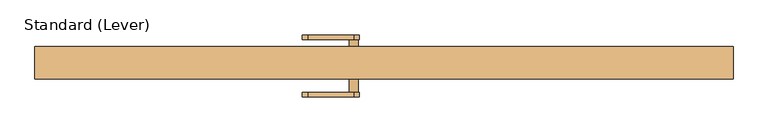
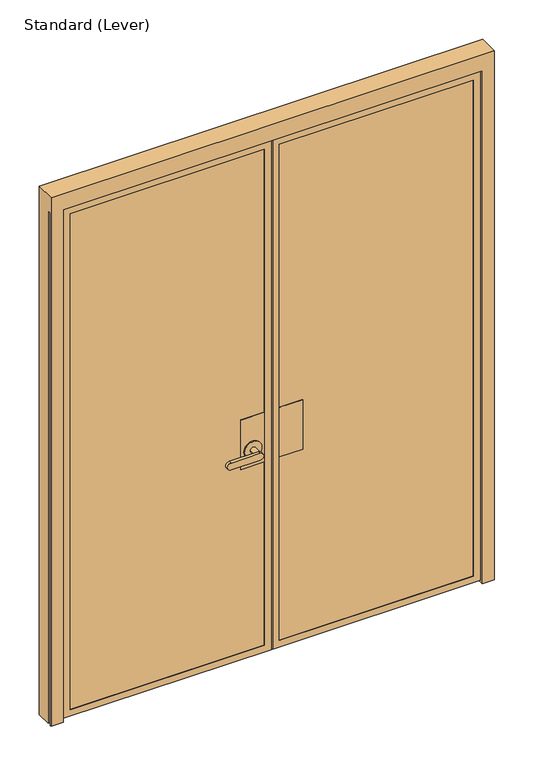
"""IFC4 building model written with IfcOpenShell, lengths in millimetres: door geometry, Standard (Lever)."""

from ifc_helpers import new_model, si_unit, frame, origin, place, context, project, spatial, polyline, circle_curve, outline, extrude, faceted_brep, source, transform, mapped, element, save
from ifc_brep_helpers import plane_surface, cylinder_surface, advanced_brep


def standard_lever_fe515a39(model_context):
    return source(origin(), model_context, "Body", "SolidModel", [
        extrude(outline(polyline([(33.3375, 20.6375), (134.9375, 20.6375), (134.9375, -26.9875), (33.3375, -26.9875), (33.3375, 20.6375)])), frame((0.0, 0.0, 889.0), z_axis=(0.0, 0.0, 1.0), x_axis=(1.0, 0.0, 0.0)), (0.0, 0.0, 1.0), 228.6),
        extrude(outline(polyline([(33.3375, -36.5125), (134.9375, -36.5125), (134.9375, -38.1), (33.3375, -38.1), (33.3375, -36.5125)])), frame((0.0, 0.0, 889.0), z_axis=(0.0, 0.0, 1.0), x_axis=(1.0, 0.0, 0.0)), (0.0, 0.0, 1.0), 228.6),
        advanced_brep(
        [(-33.3375, 20.6375, 1117.6), (-134.9375, 20.6375, 1117.6), (-134.9375, -26.9875, 1117.6), (-33.3375, -26.9875, 1117.6), (-33.3375, 20.6375, 889.0), (-33.3375, -26.9875, 889.0), (-134.9375, -26.9875, 889.0), (-134.9375, 20.6375, 889.0), (-46.0375, 20.6375, 965.2), (-122.2375, 20.6375, 965.2), (-71.4375, 25.4, 965.2), (-96.8375, 25.4, 965.2), (-96.8375, 65.0875, 965.2), (-71.4375, 65.0875, 965.2), (-46.0375, 25.4, 965.2), (-122.2375, 25.4, 965.2), (-84.1375, 65.0875, 949.325), (-84.1375, 65.0875, 981.075), (-211.1375, 65.0875, 981.075), (-211.1375, 65.0875, 949.325), (-84.1375, 77.7875, 949.325), (-211.1375, 77.7875, 949.325), (-211.1375, 77.7875, 981.075), (-84.1375, 77.7875, 981.075)],
        [
            (0, 1),
            (1, 2),
            (2, 3),
            (3, 0),
            (4, 5),
            (5, 6),
            (6, 7),
            (7, 4),
            (3, 5),
            (4, 0),
            (2, 6),
            (1, 7),
            (8, 9, circle_curve(frame((-84.1375, 20.6375, 965.2), z_axis=(0.0, -1.0, 0.0), x_axis=(-1.0, 0.0, 0.0)), 38.1)),
            (9, 8, circle_curve(frame((-84.1375, 20.6375, 965.2), z_axis=(0.0, -1.0, 0.0), x_axis=(-1.0, 0.0, 0.0)), 38.1)),
            (10, 11, circle_curve(frame((-84.1375, 25.4, 965.2), z_axis=(0.0, 1.0, 0.0), x_axis=(-1.0, 0.0, 0.0)), 12.7)),
            (11, 12),
            (12, 13, circle_curve(frame((-84.1375, 65.0875, 965.2), z_axis=(0.0, -1.0, 0.0), x_axis=(-1.0, 0.0, 0.0)), 12.7)),
            (13, 10),
            (13, 12, circle_curve(frame((-84.1375, 65.0875, 965.2), z_axis=(0.0, -1.0, 0.0), x_axis=(-1.0, 0.0, 0.0)), 12.7)),
            (11, 10, circle_curve(frame((-84.1375, 25.4, 965.2), z_axis=(0.0, 1.0, 0.0), x_axis=(-1.0, 0.0, 0.0)), 12.7)),
            (14, 15, circle_curve(frame((-84.1375, 25.4, 965.2), z_axis=(0.0, 1.0, 0.0), x_axis=(-1.0, 0.0, 0.0)), 38.1)),
            (15, 14, circle_curve(frame((-84.1375, 25.4, 965.2), z_axis=(0.0, 1.0, 0.0), x_axis=(-1.0, 0.0, 0.0)), 38.1)),
            (14, 8),
            (9, 15),
            (16, 17, circle_curve(frame((-84.1375, 65.0875, 965.2), z_axis=(0.0, -1.0, 0.0), x_axis=(-1.0, 0.0, 0.0)), 15.875)),
            (17, 18),
            (18, 19, circle_curve(frame((-211.1375, 65.0875, 965.2), z_axis=(0.0, -1.0, 0.0), x_axis=(-1.0, 0.0, 0.0)), 15.875)),
            (19, 16),
            (20, 21),
            (21, 22, circle_curve(frame((-211.1375, 77.7875, 965.2), z_axis=(0.0, 1.0, 0.0), x_axis=(-1.0, 0.0, 0.0)), 15.875)),
            (22, 23),
            (23, 20, circle_curve(frame((-84.1375, 77.7875, 965.2), z_axis=(0.0, 1.0, 0.0), x_axis=(-1.0, 0.0, 0.0)), 15.875)),
            (19, 21),
            (20, 16),
            (18, 22),
            (17, 23),
        ],
        [
            plane_surface(frame((-33.3375, 87.8442978, 1117.6), z_axis=(0.0, 0.0, 1.0), x_axis=(0.0, -1.0, 0.0))),
            plane_surface(frame((-33.3375, 87.8442978, 889.0), z_axis=(0.0, 0.0, -1.0), x_axis=(0.0, 1.0, 0.0))),
            plane_surface(frame((-33.3375, 20.6375, 1117.6), z_axis=(1.0, 0.0, 0.0), x_axis=(0.0, 0.0, -1.0))),
            plane_surface(frame((-33.3375, -26.9875, 1117.6), z_axis=(0.0, -1.0, 0.0), x_axis=(0.0, 0.0, -1.0))),
            plane_surface(frame((-134.9375, -26.9875, 1117.6), z_axis=(-1.0, 0.0, 0.0), x_axis=(0.0, 0.0, -1.0))),
            plane_surface(frame((-134.9375, 20.6375, 1117.6), z_axis=(0.0, 1.0, 0.0), x_axis=(0.0, 0.0, -1.0))),
            cylinder_surface(frame((-84.1375, 65.0875, 965.2), z_axis=(0.0, -1.0, 0.0), x_axis=(-1.0, 0.0, 0.0)), 12.7),
            plane_surface(frame((-122.2375, 25.4, 965.2), z_axis=(0.0, 1.0, 0.0), x_axis=(0.0, 0.0, -1.0))),
            cylinder_surface(frame((-84.1375, 25.4, 965.2), z_axis=(0.0, -1.0, 0.0), x_axis=(-1.0, 0.0, 0.0)), 38.1),
            plane_surface(frame((-84.1375, 65.0875, 949.325), z_axis=(0.0, -1.0, 0.0), x_axis=(-1.0, 0.0, 0.0))),
            plane_surface(frame((-84.1375, 77.7875, 949.325), z_axis=(0.0, 1.0, 0.0), x_axis=(1.0, 0.0, 0.0))),
            plane_surface(frame((-84.1375, 65.0875, 949.325), z_axis=(0.0, 0.0, -1.0), x_axis=(0.0, 1.0, 0.0))),
            cylinder_surface(frame((-211.1375, 77.7875, 965.2), z_axis=(0.0, -1.0, 0.0), x_axis=(-1.0, 0.0, 0.0)), 15.875),
            plane_surface(frame((-211.1375, 65.0875, 981.075), z_axis=(0.0, 0.0, 1.0), x_axis=(0.0, 1.0, 0.0))),
            cylinder_surface(frame((-84.1375, 77.7875, 965.2), z_axis=(0.0, -1.0, 0.0), x_axis=(-1.0, 0.0, 0.0)), 15.875),
        ],
        [
            (0, [[1, 2, 3, 4]]),
            (1, [[5, 6, 7, 8]]),
            (2, [[9, -5, 10, -4]]),
            (3, [[11, -6, -9, -3]]),
            (4, [[12, -7, -11, -2]]),
            (5, [[-10, -8, -12, -1], [13, 14]]),
            (6, [[15, 16, 17, 18]]),
            (6, [[19, -16, 20, -18]]),
            (7, [[21, 22], [-20, -15]]),
            (8, [[23, -14, 24, -21]]),
            (8, [[-24, -13, -23, -22]]),
            (9, [[25, 26, 27, 28], [-19, -17]]),
            (10, [[29, 30, 31, 32]]),
            (11, [[33, -29, 34, -28]]),
            (12, [[35, -30, -33, -27]]),
            (13, [[36, -31, -35, -26]]),
            (14, [[-34, -32, -36, -25]]),
        ],
    ),
        advanced_brep(
        [(-33.3375, -36.5125, 1117.6), (-134.9375, -36.5125, 1117.6), (-134.9375, -38.1, 1117.6), (-33.3375, -38.1, 1117.6), (-33.3375, -36.5125, 889.0), (-33.3375, -38.1, 889.0), (-134.9375, -38.1, 889.0), (-134.9375, -36.5125, 889.0), (-46.0375, -42.8625, 965.2), (-122.2375, -42.8625, 965.2), (-96.8375, -42.8625, 965.2), (-71.4375, -42.8625, 965.2), (-122.2375, -38.1, 965.2), (-46.0375, -38.1, 965.2), (-71.4375, -82.55, 965.2), (-96.8375, -82.55, 965.2), (-211.1375, -95.25, 949.325), (-84.1375, -95.25, 949.325), (-84.1375, -95.25, 981.075), (-211.1375, -95.25, 981.075), (-211.1375, -82.55, 949.325), (-211.1375, -82.55, 981.075), (-84.1375, -82.55, 981.075), (-84.1375, -82.55, 949.325)],
        [
            (0, 1),
            (1, 2),
            (2, 3),
            (3, 0),
            (4, 5),
            (5, 6),
            (6, 7),
            (7, 4),
            (3, 5),
            (4, 0),
            (1, 7),
            (6, 2),
            (8, 9, circle_curve(frame((-84.1375, -42.8625, 965.2), z_axis=(0.0, -1.0, 0.0), x_axis=(-1.0, 0.0, 0.0)), 38.1)),
            (9, 8, circle_curve(frame((-84.1375, -42.8625, 965.2), z_axis=(0.0, -1.0, 0.0), x_axis=(-1.0, 0.0, 0.0)), 38.1)),
            (10, 11, circle_curve(frame((-84.1375, -42.8625, 965.2), z_axis=(0.0, 1.0, 0.0), x_axis=(-1.0, 0.0, 0.0)), 12.7)),
            (11, 10, circle_curve(frame((-84.1375, -42.8625, 965.2), z_axis=(0.0, 1.0, 0.0), x_axis=(-1.0, 0.0, 0.0)), 12.7)),
            (9, 12),
            (12, 13, circle_curve(frame((-84.1375, -38.1, 965.2), z_axis=(0.0, -1.0, 0.0), x_axis=(-1.0, 0.0, 0.0)), 38.1)),
            (13, 8),
            (13, 12, circle_curve(frame((-84.1375, -38.1, 965.2), z_axis=(0.0, -1.0, 0.0), x_axis=(-1.0, 0.0, 0.0)), 38.1)),
            (14, 15, circle_curve(frame((-84.1375, -82.55, 965.2), z_axis=(0.0, 1.0, 0.0), x_axis=(-1.0, 0.0, 0.0)), 12.7)),
            (15, 10),
            (11, 14),
            (15, 14, circle_curve(frame((-84.1375, -82.55, 965.2), z_axis=(0.0, 1.0, 0.0), x_axis=(-1.0, 0.0, 0.0)), 12.7)),
            (16, 17),
            (17, 18, circle_curve(frame((-84.1375, -95.25, 965.2), z_axis=(0.0, -1.0, 0.0), x_axis=(-1.0, 0.0, 0.0)), 15.875)),
            (18, 19),
            (19, 16, circle_curve(frame((-211.1375, -95.25, 965.2), z_axis=(0.0, -1.0, 0.0), x_axis=(-1.0, 0.0, 0.0)), 15.875)),
            (20, 21, circle_curve(frame((-211.1375, -82.55, 965.2), z_axis=(0.0, 1.0, 0.0), x_axis=(-1.0, 0.0, 0.0)), 15.875)),
            (21, 22),
            (22, 23, circle_curve(frame((-84.1375, -82.55, 965.2), z_axis=(0.0, 1.0, 0.0), x_axis=(-1.0, 0.0, 0.0)), 15.875)),
            (23, 20),
            (19, 21),
            (20, 16),
            (18, 22),
            (17, 23),
        ],
        [
            plane_surface(frame((-33.3375, 87.8442978, 1117.6), z_axis=(0.0, 0.0, 1.0), x_axis=(0.0, -1.0, 0.0))),
            plane_surface(frame((-33.3375, 87.8442978, 889.0), z_axis=(0.0, 0.0, -1.0), x_axis=(0.0, 1.0, 0.0))),
            plane_surface(frame((-33.3375, -36.5125, 1117.6), z_axis=(1.0, 0.0, 0.0), x_axis=(0.0, 0.0, -1.0))),
            plane_surface(frame((-134.9375, -38.1, 1117.6), z_axis=(-1.0, 0.0, 0.0), x_axis=(0.0, 0.0, -1.0))),
            plane_surface(frame((-134.9375, -36.5125, 1117.6), z_axis=(0.0, 1.0, 0.0), x_axis=(0.0, 0.0, -1.0))),
            plane_surface(frame((-122.2375, -42.8625, 965.2), z_axis=(0.0, -1.0, 0.0), x_axis=(0.0, 0.0, 1.0))),
            cylinder_surface(frame((-84.1375, -38.1, 965.2), z_axis=(0.0, -1.0, 0.0), x_axis=(-1.0, 0.0, 0.0)), 38.1),
            cylinder_surface(frame((-84.1375, -39.6875, 965.2), z_axis=(0.0, -1.0, 0.0), x_axis=(-1.0, 0.0, 0.0)), 12.7),
            plane_surface(frame((-227.0125, -95.25, 965.2), z_axis=(0.0, -1.0, 0.0), x_axis=(0.0, 0.0, 1.0))),
            plane_surface(frame((-227.0125, -82.55, 965.2), z_axis=(0.0, 1.0, 0.0), x_axis=(0.0, 0.0, -1.0))),
            cylinder_surface(frame((-211.1375, -82.55, 965.2), z_axis=(0.0, -1.0, 0.0), x_axis=(-1.0, 0.0, 0.0)), 15.875),
            plane_surface(frame((-211.1375, -95.25, 981.075), z_axis=(0.0, 0.0, 1.0), x_axis=(0.0, 1.0, 0.0))),
            cylinder_surface(frame((-84.1375, -82.55, 965.2), z_axis=(0.0, -1.0, 0.0), x_axis=(-1.0, 0.0, 0.0)), 15.875),
            plane_surface(frame((-84.1375, -95.25, 949.325), z_axis=(0.0, 0.0, -1.0), x_axis=(0.0, 1.0, 0.0))),
            plane_surface(frame((-33.3375, -38.1, 1117.6), z_axis=(0.0, -1.0, 0.0), x_axis=(0.0, 0.0, -1.0))),
        ],
        [
            (0, [[1, 2, 3, 4]]),
            (1, [[5, 6, 7, 8]]),
            (2, [[9, -5, 10, -4]]),
            (3, [[11, -7, 12, -2]]),
            (4, [[-10, -8, -11, -1]]),
            (5, [[13, 14], [15, 16]]),
            (6, [[17, 18, 19, -14]]),
            (6, [[-19, 20, -17, -13]]),
            (7, [[21, 22, -16, 23]]),
            (7, [[-15, -22, 24, -23]]),
            (8, [[25, 26, 27, 28]]),
            (9, [[29, 30, 31, 32], [-24, -21]]),
            (10, [[33, -29, 34, -28]]),
            (11, [[35, -30, -33, -27]]),
            (12, [[36, -31, -35, -26]]),
            (13, [[-34, -32, -36, -25]]),
            (14, [[-12, -6, -9, -3], [-20, -18]]),
        ],
    ),
        faceted_brep([(909.6374977, 6.35, 12.7), (909.6374977, 6.35, 2360.6125), (909.6374977, -38.1, 2360.6125), (909.6374977, -38.1, 12.7), (3.175, -38.1, 12.7), (3.175, 6.35, 12.7), (3.175, 6.35, 28.575), (893.7624977, 6.35, 28.575), (893.7624977, 6.35, 2344.7375), (3.175, 6.35, 2344.7375), (3.175, 6.35, 2360.6125), (3.175, -38.1, 2360.6125), (3.175, 20.6375, 2344.7375), (3.175, 20.6375, 28.575), (33.3375, -38.1, 42.8625), (33.3375, -38.1, 2330.45), (879.4749977, -38.1, 2330.45), (879.4749977, -38.1, 42.8625), (879.4749977, -36.5125, 2330.45), (879.4749977, -36.5125, 42.8625), (33.3375, -36.5125, 42.8625), (33.3375, -36.5125, 2330.45), (20.6375, -36.5125, 30.1625), (20.6375, -36.5125, 2343.15), (892.1749977, -36.5125, 2343.15), (892.1749977, -36.5125, 30.1625), (892.1749977, -26.9875, 2343.15), (892.1749977, -26.9875, 30.1625), (20.6375, -26.9875, 30.1625), (20.6375, -26.9875, 2343.15), (33.3375, -26.9875, 42.8625), (33.3375, -26.9875, 2330.45), (879.4749977, -26.9875, 2330.45), (879.4749977, -26.9875, 42.8625), (879.4749977, 20.6375, 2330.45), (879.4749977, 20.6375, 42.8625), (33.3375, 20.6375, 42.8625), (33.3375, 20.6375, 2330.45), (893.7624977, 20.6375, 28.575), (893.7624977, 20.6375, 2344.7375)], [[[0, 1, 2, 3]], [[3, 4, 5, 0]], [[5, 6, 7, 8, 9, 10, 1, 0]], [[4, 11, 10, 9, 12, 13, 6, 5]], [[3, 2, 11, 4], [14, 15, 16, 17]], [[17, 16, 18, 19]], [[19, 20, 14, 17]], [[20, 21, 15, 14]], [[22, 23, 24, 25], [19, 18, 21, 20]], [[25, 24, 26, 27]], [[27, 28, 22, 25]], [[28, 29, 23, 22]], [[27, 26, 29, 28], [30, 31, 32, 33]], [[33, 32, 34, 35]], [[35, 36, 30, 33]], [[36, 37, 31, 30]], [[38, 13, 12, 39], [35, 34, 37, 36]], [[38, 7, 6, 13]], [[39, 8, 7, 38]], [[12, 9, 8, 39]], [[11, 2, 1, 10]], [[21, 18, 16, 15]], [[29, 26, 24, 23]], [[37, 34, 32, 31]]]),
        faceted_brep([(-893.7624977, 20.6375, 28.575), (-893.7624977, 6.35, 28.575), (-893.7624977, 6.35, 2344.7375), (-893.7624977, 20.6375, 2344.7375), (-3.175, 20.6375, 28.575), (-3.175, 6.35, 28.575), (-909.6374977, 6.35, 2360.6125), (-3.175, 6.35, 2360.6125), (-3.175, 6.35, 2344.7375), (-3.175, 6.35, 12.7), (-909.6374977, 6.35, 12.7), (-3.175, -38.1, 2360.6125), (-3.175, -38.1, 12.7), (-3.175, 20.6375, 2344.7375), (-879.4749977, 20.6375, 42.8625), (-33.3375, 20.6375, 42.8625), (-33.3375, 20.6375, 2330.45), (-879.4749977, 20.6375, 2330.45), (-909.6374977, -38.1, 12.7), (-909.6374977, -38.1, 2360.6125), (-879.4749977, -38.1, 2330.45), (-33.3375, -38.1, 2330.45), (-33.3375, -38.1, 42.8625), (-879.4749977, -38.1, 42.8625), (-879.4749977, -26.9875, 2330.45), (-879.4749977, -26.9875, 42.8625), (-33.3375, -26.9875, 42.8625), (-33.3375, -26.9875, 2330.45), (-892.1749977, -36.5125, 2343.15), (-892.1749977, -36.5125, 30.1625), (-892.1749977, -26.9875, 30.1625), (-892.1749977, -26.9875, 2343.15), (-20.6375, -26.9875, 30.1625), (-20.6375, -26.9875, 2343.15), (-20.6375, -36.5125, 30.1625), (-20.6375, -36.5125, 2343.15), (-879.4749977, -36.5125, 42.8625), (-33.3375, -36.5125, 42.8625), (-33.3375, -36.5125, 2330.45), (-879.4749977, -36.5125, 2330.45)], [[[0, 1, 2, 3]], [[0, 4, 5, 1]], [[6, 7, 8, 2, 1, 5, 9, 10]], [[8, 7, 11, 12, 9, 5, 4, 13]], [[13, 4, 0, 3], [14, 15, 16, 17]], [[10, 9, 12, 18]], [[18, 12, 11, 19], [20, 21, 22, 23]], [[24, 25, 14, 17]], [[26, 27, 16, 15]], [[25, 26, 15, 14]], [[28, 29, 30, 31]], [[30, 32, 33, 31], [24, 27, 26, 25]], [[29, 34, 32, 30]], [[28, 35, 34, 29], [36, 37, 38, 39]], [[20, 23, 36, 39]], [[23, 22, 37, 36]], [[6, 10, 18, 19]], [[34, 35, 33, 32]], [[22, 21, 38, 37]], [[13, 3, 2, 8]], [[19, 11, 7, 6]], [[17, 16, 27, 24]], [[31, 33, 35, 28]], [[39, 38, 21, 20]]]),
        extrude(outline(polyline([(20.6375, -26.9875), (892.1749977, -26.9875), (892.1749977, -36.5125), (20.6375, -36.5125), (20.6375, -26.9875)])), frame((0.0, 0.0, 30.1625), z_axis=(0.0, 0.0, 1.0), x_axis=(1.0, 0.0, 0.0)), (0.0, 0.0, 1.0), 2312.9875),
        extrude(outline(polyline([(-20.6375, -36.5125), (-892.1749977, -36.5125), (-892.1749977, -26.9875), (-20.6375, -26.9875), (-20.6375, -36.5125)])), frame((0.0, 0.0, 30.1625), z_axis=(0.0, 0.0, 1.0), x_axis=(1.0, 0.0, 0.0)), (0.0, 0.0, 1.0), 2312.9875),
        faceted_brep([(966.7875, 44.45, 0.0), (966.7875, 44.45, 2438.4), (966.7875, -44.45, 2438.4), (966.7875, -44.45, 0.0), (966.7875, -38.1499897, 0.0), (966.7875, -38.1499897, 2365.375), (966.7875, -21.749999, 2365.375), (966.7875, -21.749999, 0.0), (-966.7875, -21.749999, 0.0), (-966.7875, -21.749999, 2365.375), (-966.7875, -38.1499897, 2365.375), (-966.7875, -38.1499897, 0.0), (-966.7875, -44.45, 0.0), (-966.7875, -44.45, 2438.4), (-966.7875, 44.45, 2438.4), (-966.7875, 44.45, 0.0), (914.3999977, 44.45, 0.0), (914.3999977, 44.45, 2365.375), (-914.3999977, 44.45, 2365.375), (-914.3999977, 44.45, 0.0), (914.3999977, 20.6375, 2365.375), (-914.3999977, 20.6375, 2365.375), (-900.1124977, 20.6375, 2351.0875), (900.1124977, 20.6375, 2351.0875), (900.1124977, 9.525, 2351.0875), (-900.1124977, 9.525, 2351.0875), (-914.3999977, -44.45, 0.0), (-914.3999977, -44.45, 2365.375), (914.3999977, -44.45, 2365.375), (914.3999977, -44.45, 0.0), (-914.3999977, 20.6375, 0.0), (914.3999977, 20.6375, 0.0), (900.1124977, 20.6375, 0.0), (-900.1124977, 20.6375, 0.0), (-900.1124977, 9.525, 0.0), (900.1124977, 9.525, 0.0), (914.3999977, 9.525, 0.0), (914.3999977, 9.525, 2365.375), (-914.3999977, 9.525, 2365.375), (-914.3999977, 9.525, 0.0), (-960.3132562, -21.749999, 2365.375), (-959.3132405, -20.7499834, 2365.375), (-960.8875134, -20.7499834, 2365.375), (-960.8875134, -18.949936, 2365.375), (-955.8875186, -18.949936, 2365.375), (-955.8875186, -20.7499834, 2365.375), (-957.461756, -20.7499834, 2365.375), (-956.4617434, -21.7499959, 2365.375), (-935.0375, -21.7499959, 2365.375), (-935.0375, -38.1499966, 2365.375), (-956.4617503, -38.1499966, 2365.375), (-957.461756, -39.1500023, 2365.375), (-955.8874831, -39.1500023, 2365.375), (-955.8874831, -40.9498819, 2365.375), (-960.8874778, -40.9498819, 2365.375), (-960.8874778, -39.1500023, 2365.375), (-959.3132405, -39.1500023, 2365.375), (-960.3132531, -38.1499897, 2365.375), (960.3132531, -38.1499897, 2365.375), (959.3132405, -39.1500023, 2365.375), (960.8874778, -39.1500023, 2365.375), (960.8874778, -40.9498819, 2365.375), (955.8874831, -40.9498819, 2365.375), (955.8874831, -39.1500023, 2365.375), (957.461756, -39.1500023, 2365.375), (956.4617503, -38.1499966, 2365.375), (935.0375, -38.1499966, 2365.375), (935.0375, -21.7499959, 2365.375), (956.4617434, -21.7499959, 2365.375), (957.461756, -20.7499834, 2365.375), (955.8875186, -20.7499834, 2365.375), (955.8875186, -18.949936, 2365.375), (960.8875134, -18.949936, 2365.375), (960.8875134, -20.7499834, 2365.375), (959.3132405, -20.7499834, 2365.375), (960.3132562, -21.749999, 2365.375), (-960.3132531, -38.1499897, 0.0), (-959.3132405, -39.1500023, 0.0), (-960.8874778, -39.1500023, 0.0), (-960.8874778, -40.9498819, 0.0), (-955.8874831, -40.9498819, 0.0), (-955.8874831, -39.1500023, 0.0), (-957.461756, -39.1500023, 0.0), (-956.4617503, -38.1499966, 0.0), (-935.0375, -38.1499966, 0.0), (-935.0375, -21.7499959, 0.0), (-956.4617434, -21.7499959, 0.0), (-957.461756, -20.7499834, 0.0), (-955.8875186, -20.7499834, 0.0), (-955.8875186, -18.949936, 0.0), (-960.8875134, -18.949936, 0.0), (-960.8875134, -20.7499834, 0.0), (-959.3132405, -20.7499834, 0.0), (-960.3132562, -21.749999, 0.0), (960.3132562, -21.749999, 0.0), (959.3132405, -20.7499834, 0.0), (960.8875134, -20.7499834, 0.0), (960.8875134, -18.949936, 0.0), (955.8875186, -18.949936, 0.0), (955.8875186, -20.7499834, 0.0), (957.461756, -20.7499834, 0.0), (956.4617434, -21.7499959, 0.0), (935.0375, -21.7499959, 0.0), (935.0375, -38.1499966, 0.0), (956.4617503, -38.1499966, 0.0), (957.461756, -39.1500023, 0.0), (955.8874831, -39.1500023, 0.0), (955.8874831, -40.9498819, 0.0), (960.8874778, -40.9498819, 0.0), (960.8874778, -39.1500023, 0.0), (959.3132405, -39.1500023, 0.0), (960.3132531, -38.1499897, 0.0)], [[[0, 1, 2, 3, 4, 5, 6, 7]], [[8, 9, 10, 11, 12, 13, 14, 15]], [[2, 1, 14, 13]], [[0, 16, 17, 18, 19, 15, 14, 1]], [[18, 17, 20, 21]], [[22, 23, 24, 25]], [[2, 13, 12, 26, 27, 28, 29, 3]], [[30, 21, 20, 31, 32, 23, 22, 33]], [[34, 25, 24, 35, 36, 37, 38, 39]], [[9, 40, 41, 42, 43, 44, 45, 46, 47, 48, 49, 50, 51, 52, 53, 54, 55, 56, 57, 10]], [[5, 58, 59, 60, 61, 62, 63, 64, 65, 66, 67, 68, 69, 70, 71, 72, 73, 74, 75, 6]], [[37, 28, 27, 38]], [[19, 30, 33, 34, 39, 26, 12, 11, 76, 77, 78, 79, 80, 81, 82, 83, 84, 85, 86, 87, 88, 89, 90, 91, 92, 93, 8, 15]], [[93, 40, 9, 8]], [[92, 41, 40, 93]], [[91, 42, 41, 92]], [[90, 43, 42, 91]], [[89, 44, 43, 90]], [[88, 45, 44, 89]], [[87, 46, 45, 88]], [[86, 47, 46, 87]], [[85, 48, 47, 86]], [[84, 49, 48, 85]], [[83, 50, 49, 84]], [[82, 51, 50, 83]], [[81, 52, 51, 82]], [[80, 53, 52, 81]], [[79, 54, 53, 80]], [[78, 55, 54, 79]], [[77, 56, 55, 78]], [[76, 57, 56, 77]], [[11, 10, 57, 76]], [[39, 38, 27, 26]], [[33, 22, 25, 34]], [[19, 18, 21, 30]], [[16, 0, 7, 94, 95, 96, 97, 98, 99, 100, 101, 102, 103, 104, 105, 106, 107, 108, 109, 110, 111, 4, 3, 29, 36, 35, 32, 31]], [[20, 17, 16, 31]], [[35, 24, 23, 32]], [[29, 28, 37, 36]], [[111, 58, 5, 4]], [[110, 59, 58, 111]], [[109, 60, 59, 110]], [[108, 61, 60, 109]], [[107, 62, 61, 108]], [[106, 63, 62, 107]], [[105, 64, 63, 106]], [[104, 65, 64, 105]], [[103, 66, 65, 104]], [[102, 67, 66, 103]], [[101, 68, 67, 102]], [[100, 69, 68, 101]], [[99, 70, 69, 100]], [[98, 71, 70, 99]], [[97, 72, 71, 98]], [[96, 73, 72, 97]], [[95, 74, 73, 96]], [[94, 75, 74, 95]], [[7, 6, 75, 94]]]),
    ])


if __name__ == "__main__":
    model = new_model("IFC4")
    model_context = context("Model", 3, world=origin())
    ifc_project = project(units=[si_unit("LENGTHUNIT", "METRE", prefix="MILLI")], contexts=[model_context])
    site = spatial("IfcSite", under=ifc_project)
    building = spatial("IfcBuilding", under=site)
    placement = place(None, origin())
    standard_lever_shape = standard_lever_fe515a39(model_context)
    element("IfcDoor", 1, ObjectType="Standard (Lever)", at=placement, inside=building, context=model_context, shape_type="MappedRepresentation", body=[
        mapped(standard_lever_shape, transform((0.0, 0.0, 0.0), x_axis=(1.0, 0.0, 0.0), y_axis=(0.0, 1.0, 0.0), z_axis=(0.0, 0.0, 1.0))),
    ])
    save(model, "model.ifc")
